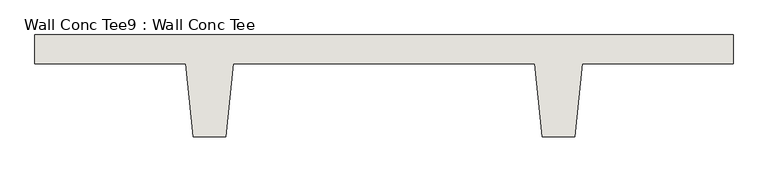
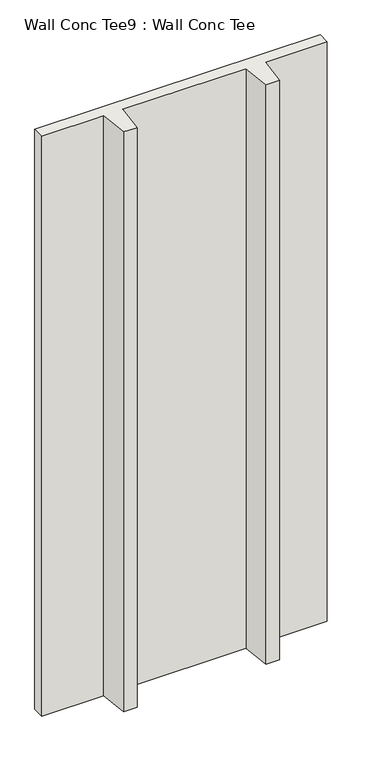
"""IFC4 building model written with IfcOpenShell, lengths in millimetres: wall geometry, Wall Conc Tee9 : Wall Conc Tee."""

from ifc_helpers import new_model, si_unit, frame, origin, place, context, project, spatial, polyline, outline, extrude, source, transform, mapped, element, save


def wall_conc_tee9_wall_conc_tee_6b943818(model_context):
    return source(origin(), model_context, "Body", "SweptSolid", [
        extrude(outline(polyline([(229680.2728488, 159042.8596581), (229680.2728488, 158941.2596581), (229153.2228488, 158941.2596581), (229127.8228488, 158687.2596581), (229013.5228488, 158687.2596581), (228988.1228488, 158941.2596581), (227934.0228488, 158941.2596581), (227908.6228488, 158687.2596581), (227794.3228488, 158687.2596581), (227768.9228488, 158941.2596581), (227241.8728488, 158941.2596581), (227241.8728488, 159042.8596581), (229680.2728488, 159042.8596581)])), frame((0.0, 0.0, 143.7592564), z_axis=(0.0, 0.0, 1.0), x_axis=(1.0, 0.0, 0.0)), (0.0, 0.0, 1.0), 5232.4087123),
    ])


if __name__ == "__main__":
    model = new_model("IFC4")
    model_context = context("Model", 3, world=origin())
    ifc_project = project(units=[si_unit("LENGTHUNIT", "METRE", prefix="MILLI")], contexts=[model_context])
    site = spatial("IfcSite", under=ifc_project)
    building = spatial("IfcBuilding", under=site)
    placement = place(None, origin())
    wall_conc_tee9_wall_conc_tee_shape = wall_conc_tee9_wall_conc_tee_6b943818(model_context)
    element("IfcWall", 1, ObjectType="Wall Conc Tee9 : Wall Conc Tee", at=placement, inside=building, context=model_context, shape_type="MappedRepresentation", body=[
        mapped(wall_conc_tee9_wall_conc_tee_shape, transform((0.0, 0.0, 0.0), x_axis=(1.0, 0.0, 0.0), y_axis=(0.0, 1.0, 0.0), z_axis=(0.0, 0.0, 1.0))),
    ])
    save(model, "model.ifc")
